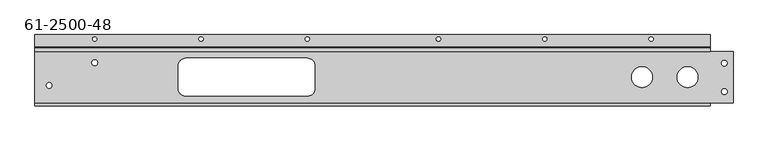
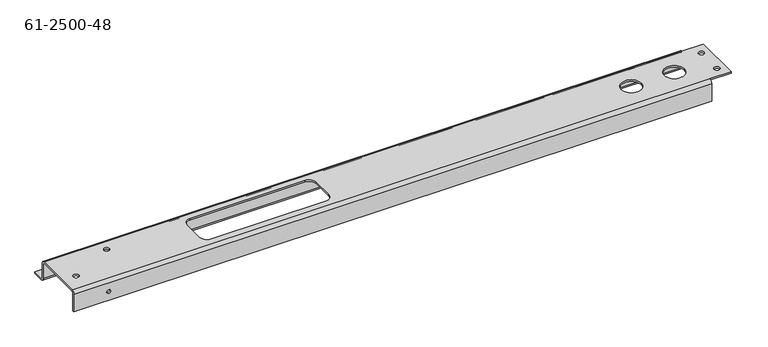
"""IFC4 building model written with IfcOpenShell, lengths in millimetres: proxy geometry, 61-2500-48."""

from ifc_helpers import new_model, si_unit, frame, origin, place, context, project, spatial, polyline, circle_curve, source, transform, mapped, element, save
from ifc_brep_helpers import plane_surface, cylinder_surface, revolved_surface, advanced_brep


def proxy_61_2500_48_f15d3c6d(model_context):
    return source(origin(), model_context, "Body", "AdvancedBrep", [
        advanced_brep(
        [(2203.44746, -48.41875, 0.0), (2203.44746, -48.41875, 2.75336), (2168.52246, -48.41875, 2.75336), (2168.52246, -48.41875, 0.0), (2279.64746, -48.41875, 0.0), (2279.64746, -48.41875, 2.75336), (2244.72246, -48.41875, 2.75336), (2244.72246, -48.41875, 0.0), (2328.46372, -72.67956, 0.0), (2328.46372, -72.67956, 2.75336), (2318.93872, -72.67956, 2.75336), (2318.93872, -72.67956, 0.0), (2328.46372, -24.9555, 0.0), (2328.46372, -24.9555, 2.75336), (2318.93872, -24.9555, 2.75336), (2318.93872, -24.9555, 0.0), (1266.02998, -24.23414, 2.75336), (1266.02998, -24.23414, 0.0), (1275.55498, -24.23414, 0.0), (1275.55498, -24.23414, 2.75336), (1189.82998, -62.33414, 2.75336), (1189.82998, -62.33414, 0.0), (1199.35498, -62.33414, 0.0), (1199.35498, -62.33414, 2.75336), (1235.86748, -96.8375, -19.05), (1235.86748, -94.08414, -19.05), (1229.51748, -94.08414, -19.05), (1229.51748, -96.8375, -19.05), (2027.09018, 15.45336, -35.34664), (2027.09018, 15.45336, -32.59328), (2019.85118, 15.45336, -32.59328), (2019.85118, 15.45336, -35.34664), (1849.29018, 15.45336, -35.34664), (1849.29018, 15.45336, -32.59328), (1842.05118, 15.45336, -32.59328), (1842.05118, 15.45336, -35.34664), (1630.01198, 15.45336, -35.34664), (1630.01198, 15.45336, -32.59328), (1622.77298, 15.45336, -32.59328), (1622.77298, 15.45336, -35.34664), (1274.41198, 15.45336, -35.34664), (1274.41198, 15.45336, -32.59328), (1267.17298, 15.45336, -32.59328), (1267.17298, 15.45336, -35.34664), (1452.21198, 15.45336, -35.34664), (1452.21198, 15.45336, -32.59328), (1444.97298, 15.45336, -32.59328), (1444.97298, 15.45336, -35.34664), (2204.89018, 15.45336, -35.34664), (2204.89018, 15.45336, -32.59328), (2197.65118, 15.45336, -32.59328), (2197.65118, 15.45336, -35.34664), (1170.77998, -96.8375, -2.75336), (1170.77998, -91.33078, 2.75336), (1170.77998, -5.50672, 2.75336), (1170.77998, 0.0, -2.75336), (1170.77998, 0.0, -29.83992), (1170.77998, 2.75336, -32.59328), (1170.77998, 22.64664, -32.59328), (1170.77998, 22.64664, -35.34664), (1170.77998, 2.75336, -35.34664), (1170.77998, -2.75336, -29.83992), (1170.77998, -2.75336, -2.75336), (1170.77998, -5.50672, 0.0), (1170.77998, -91.33078, 0.0), (1170.77998, -94.08414, -2.75336), (1170.77998, -94.08414, -35.34664), (1170.77998, -96.8375, -35.34664), (2300.28496, -2.75336, -29.83992), (2300.28496, -2.75336, -2.75336), (2300.28496, 2.75336, -35.34664), (2300.28496, 22.64664, -35.34664), (2300.28496, 22.64664, -32.59328), (2300.28496, 2.75336, -32.59328), (2300.28496, 0.0, -29.83992), (2300.28496, 0.0, -2.75336), (2300.28496, -5.50672, 2.75336), (2300.28496, -91.33078, 2.75336), (2338.38496, -91.33078, 2.75336), (2338.38496, -5.50672, 2.75336), (1423.19248, -16.68018, 2.75336), (1626.39248, -16.68018, 2.75336), (1639.09248, -29.38018, 2.75336), (1639.09248, -67.48018, 2.75336), (1626.39248, -80.18018, 2.75336), (1423.19248, -80.18018, 2.75336), (1410.49248, -67.48018, 2.75336), (1410.49248, -29.38018, 2.75336), (2300.28496, -96.8375, -2.75336), (2300.28496, -96.8375, -35.34664), (2300.28496, -94.08414, -35.34664), (2300.28496, -94.08414, -2.75336), (1423.19248, -16.68018, 0.0), (1626.39248, -16.68018, 0.0), (1410.49248, -29.38018, 0.0), (1410.49248, -67.48018, 0.0), (1423.19248, -80.18018, 0.0), (1626.39248, -80.18018, 0.0), (1639.09248, -67.48018, 0.0), (1639.09248, -29.38018, 0.0), (2300.28496, -91.33078, 0.0), (2338.38496, -91.33078, 0.0), (2300.28496, -5.50672, 0.0), (2338.38496, -5.50672, 0.0)],
        [
            (0, 1),
            (1, 2, circle_curve(frame((2185.98496, -48.41875, 2.75336), z_axis=(0.0, 0.0, 1.0), x_axis=(1.0, 0.0, 0.0)), 17.4625)),
            (2, 3),
            (3, 0, circle_curve(frame((2185.98496, -48.41875, 0.0), z_axis=(0.0, 0.0, -1.0), x_axis=(1.0, 0.0, 0.0)), 17.4625)),
            (4, 5),
            (5, 6, circle_curve(frame((2262.18496, -48.41875, 2.75336), z_axis=(0.0, 0.0, 1.0), x_axis=(1.0, 0.0, 0.0)), 17.4625)),
            (6, 7),
            (7, 4, circle_curve(frame((2262.18496, -48.41875, 0.0), z_axis=(0.0, 0.0, -1.0), x_axis=(1.0, 0.0, 0.0)), 17.4625)),
            (8, 9),
            (9, 10, circle_curve(frame((2323.70122, -72.67956, 2.75336), z_axis=(0.0, 0.0, 1.0), x_axis=(1.0, 0.0, 0.0)), 4.7625)),
            (10, 11),
            (11, 8, circle_curve(frame((2323.70122, -72.67956, 0.0), z_axis=(0.0, 0.0, -1.0), x_axis=(1.0, 0.0, 0.0)), 4.7625)),
            (12, 13),
            (13, 14, circle_curve(frame((2323.70122, -24.9555, 2.75336), z_axis=(0.0, 0.0, 1.0), x_axis=(1.0, 0.0, 0.0)), 4.7625)),
            (14, 15),
            (15, 12, circle_curve(frame((2323.70122, -24.9555, 0.0), z_axis=(0.0, 0.0, -1.0), x_axis=(1.0, 0.0, 0.0)), 4.7625)),
            (16, 17),
            (17, 18, circle_curve(frame((1270.79248, -24.23414, 0.0), z_axis=(0.0, 0.0, -1.0), x_axis=(-1.0, 0.0, 0.0)), 4.7625)),
            (18, 19),
            (19, 16, circle_curve(frame((1270.79248, -24.23414, 2.75336), z_axis=(0.0, 0.0, 1.0), x_axis=(-1.0, 0.0, 0.0)), 4.7625)),
            (20, 21),
            (21, 22, circle_curve(frame((1194.59248, -62.33414, 0.0), z_axis=(0.0, 0.0, -1.0), x_axis=(-1.0, 0.0, 0.0)), 4.7625)),
            (22, 23),
            (23, 20, circle_curve(frame((1194.59248, -62.33414, 2.75336), z_axis=(0.0, 0.0, 1.0), x_axis=(-1.0, 0.0, 0.0)), 4.7625)),
            (24, 25),
            (25, 26, circle_curve(frame((1232.69248, -94.08414, -19.05), z_axis=(0.0, 1.0, 0.0), x_axis=(1.0, 0.0, 0.0)), 3.175)),
            (26, 27),
            (27, 24, circle_curve(frame((1232.69248, -96.8375, -19.05), z_axis=(0.0, -1.0, 0.0), x_axis=(1.0, 0.0, 0.0)), 3.175)),
            (28, 29),
            (29, 30, circle_curve(frame((2023.47068, 15.45336, -32.59328), z_axis=(0.0, 0.0, 1.0), x_axis=(1.0, 0.0, 0.0)), 3.6195)),
            (30, 31),
            (31, 28, circle_curve(frame((2023.47068, 15.45336, -35.34664), z_axis=(0.0, 0.0, -1.0), x_axis=(1.0, 0.0, 0.0)), 3.6195)),
            (32, 33),
            (33, 34, circle_curve(frame((1845.67068, 15.45336, -32.59328), z_axis=(0.0, 0.0, 1.0), x_axis=(1.0, 0.0, 0.0)), 3.6195)),
            (34, 35),
            (35, 32, circle_curve(frame((1845.67068, 15.45336, -35.34664), z_axis=(0.0, 0.0, -1.0), x_axis=(1.0, 0.0, 0.0)), 3.6195)),
            (36, 37),
            (37, 38, circle_curve(frame((1626.39248, 15.45336, -32.59328), z_axis=(0.0, 0.0, 1.0), x_axis=(1.0, 0.0, 0.0)), 3.6195)),
            (38, 39),
            (39, 36, circle_curve(frame((1626.39248, 15.45336, -35.34664), z_axis=(0.0, 0.0, -1.0), x_axis=(1.0, 0.0, 0.0)), 3.6195)),
            (40, 41),
            (41, 42, circle_curve(frame((1270.79248, 15.45336, -32.59328), z_axis=(0.0, 0.0, 1.0), x_axis=(1.0, 0.0, 0.0)), 3.6195)),
            (42, 43),
            (43, 40, circle_curve(frame((1270.79248, 15.45336, -35.34664), z_axis=(0.0, 0.0, -1.0), x_axis=(1.0, 0.0, 0.0)), 3.6195)),
            (44, 45),
            (45, 46, circle_curve(frame((1448.59248, 15.45336, -32.59328), z_axis=(0.0, 0.0, 1.0), x_axis=(1.0, 0.0, 0.0)), 3.6195)),
            (46, 47),
            (47, 44, circle_curve(frame((1448.59248, 15.45336, -35.34664), z_axis=(0.0, 0.0, -1.0), x_axis=(1.0, 0.0, 0.0)), 3.6195)),
            (48, 49),
            (49, 50, circle_curve(frame((2201.27068, 15.45336, -32.59328), z_axis=(0.0, 0.0, 1.0), x_axis=(1.0, 0.0, 0.0)), 3.6195)),
            (50, 51),
            (51, 48, circle_curve(frame((2201.27068, 15.45336, -35.34664), z_axis=(0.0, 0.0, -1.0), x_axis=(1.0, 0.0, 0.0)), 3.6195)),
            (48, 51, circle_curve(frame((2201.27068, 15.45336, -35.34664), z_axis=(0.0, 0.0, -1.0), x_axis=(1.0, 0.0, 0.0)), 3.6195)),
            (50, 49, circle_curve(frame((2201.27068, 15.45336, -32.59328), z_axis=(0.0, 0.0, 1.0), x_axis=(1.0, 0.0, 0.0)), 3.6195)),
            (44, 47, circle_curve(frame((1448.59248, 15.45336, -35.34664), z_axis=(0.0, 0.0, -1.0), x_axis=(1.0, 0.0, 0.0)), 3.6195)),
            (46, 45, circle_curve(frame((1448.59248, 15.45336, -32.59328), z_axis=(0.0, 0.0, 1.0), x_axis=(1.0, 0.0, 0.0)), 3.6195)),
            (40, 43, circle_curve(frame((1270.79248, 15.45336, -35.34664), z_axis=(0.0, 0.0, -1.0), x_axis=(1.0, 0.0, 0.0)), 3.6195)),
            (42, 41, circle_curve(frame((1270.79248, 15.45336, -32.59328), z_axis=(0.0, 0.0, 1.0), x_axis=(1.0, 0.0, 0.0)), 3.6195)),
            (36, 39, circle_curve(frame((1626.39248, 15.45336, -35.34664), z_axis=(0.0, 0.0, -1.0), x_axis=(1.0, 0.0, 0.0)), 3.6195)),
            (38, 37, circle_curve(frame((1626.39248, 15.45336, -32.59328), z_axis=(0.0, 0.0, 1.0), x_axis=(1.0, 0.0, 0.0)), 3.6195)),
            (32, 35, circle_curve(frame((1845.67068, 15.45336, -35.34664), z_axis=(0.0, 0.0, -1.0), x_axis=(1.0, 0.0, 0.0)), 3.6195)),
            (34, 33, circle_curve(frame((1845.67068, 15.45336, -32.59328), z_axis=(0.0, 0.0, 1.0), x_axis=(1.0, 0.0, 0.0)), 3.6195)),
            (28, 31, circle_curve(frame((2023.47068, 15.45336, -35.34664), z_axis=(0.0, 0.0, -1.0), x_axis=(1.0, 0.0, 0.0)), 3.6195)),
            (30, 29, circle_curve(frame((2023.47068, 15.45336, -32.59328), z_axis=(0.0, 0.0, 1.0), x_axis=(1.0, 0.0, 0.0)), 3.6195)),
            (24, 27, circle_curve(frame((1232.69248, -96.8375, -19.05), z_axis=(0.0, -1.0, 0.0), x_axis=(1.0, 0.0, 0.0)), 3.175)),
            (26, 25, circle_curve(frame((1232.69248, -94.08414, -19.05), z_axis=(0.0, 1.0, 0.0), x_axis=(1.0, 0.0, 0.0)), 3.175)),
            (20, 23, circle_curve(frame((1194.59248, -62.33414, 2.75336), z_axis=(0.0, 0.0, 1.0), x_axis=(-1.0, 0.0, 0.0)), 4.7625)),
            (22, 21, circle_curve(frame((1194.59248, -62.33414, 0.0), z_axis=(0.0, 0.0, -1.0), x_axis=(-1.0, 0.0, 0.0)), 4.7625)),
            (16, 19, circle_curve(frame((1270.79248, -24.23414, 2.75336), z_axis=(0.0, 0.0, 1.0), x_axis=(-1.0, 0.0, 0.0)), 4.7625)),
            (18, 17, circle_curve(frame((1270.79248, -24.23414, 0.0), z_axis=(0.0, 0.0, -1.0), x_axis=(-1.0, 0.0, 0.0)), 4.7625)),
            (52, 53, circle_curve(frame((1170.77998, -91.33078, -2.75336), z_axis=(-1.0, 0.0, 0.0), x_axis=(0.0, 0.0, 1.0)), 5.50672)),
            (53, 54),
            (54, 55, circle_curve(frame((1170.77998, -5.50672, -2.75336), z_axis=(-1.0, 0.0, 0.0), x_axis=(0.0, 0.0, 1.0)), 5.50672)),
            (55, 56),
            (56, 57, circle_curve(frame((1170.77998, 2.75336, -29.83992), z_axis=(1.0, 0.0, 0.0), x_axis=(0.0, -1.0, 0.0)), 2.75336)),
            (57, 58),
            (58, 59),
            (59, 60),
            (60, 61, circle_curve(frame((1170.77998, 2.75336, -29.83992), z_axis=(-1.0, 0.0, 0.0), x_axis=(0.0, -1.0, 0.0)), 5.50672)),
            (61, 62),
            (62, 63, circle_curve(frame((1170.77998, -5.50672, -2.75336), z_axis=(1.0, 0.0, 0.0), x_axis=(0.0, 0.0, 1.0)), 2.75336)),
            (63, 64),
            (64, 65, circle_curve(frame((1170.77998, -91.33078, -2.75336), z_axis=(1.0, 0.0, 0.0), x_axis=(0.0, 0.0, 1.0)), 2.75336)),
            (65, 66),
            (66, 67),
            (67, 52),
            (61, 68),
            (68, 69),
            (69, 62),
            (60, 70),
            (70, 68, circle_curve(frame((2300.28496, 2.75336, -29.83992), z_axis=(-1.0, 0.0, 0.0), x_axis=(0.0, -1.0, 0.0)), 5.50672)),
            (59, 71),
            (71, 70),
            (58, 72),
            (72, 71),
            (57, 73),
            (73, 72),
            (56, 74),
            (74, 73, circle_curve(frame((2300.28496, 2.75336, -29.83992), z_axis=(1.0, 0.0, 0.0), x_axis=(0.0, -1.0, 0.0)), 2.75336)),
            (55, 75),
            (75, 74),
            (54, 76),
            (76, 75, circle_curve(frame((2300.28496, -5.50672, -2.75336), z_axis=(-1.0, 0.0, 0.0), x_axis=(0.0, 0.0, 1.0)), 5.50672)),
            (53, 77),
            (77, 78),
            (78, 79),
            (79, 76),
            (1, 2, circle_curve(frame((2185.98496, -48.41875, 2.75336), z_axis=(0.0, 0.0, -1.0), x_axis=(1.0, 0.0, 0.0)), 17.4625)),
            (5, 6, circle_curve(frame((2262.18496, -48.41875, 2.75336), z_axis=(0.0, 0.0, -1.0), x_axis=(1.0, 0.0, 0.0)), 17.4625)),
            (80, 81),
            (81, 82, circle_curve(frame((1626.39248, -29.38018, 2.75336), z_axis=(0.0, 0.0, -1.0), x_axis=(-1.0, 0.0, 0.0)), 12.7)),
            (82, 83),
            (83, 84, circle_curve(frame((1626.39248, -67.48018, 2.75336), z_axis=(0.0, 0.0, -1.0), x_axis=(0.0, 1.0, 0.0)), 12.7)),
            (84, 85),
            (85, 86, circle_curve(frame((1423.19248, -67.48018, 2.75336), z_axis=(0.0, 0.0, -1.0), x_axis=(1.0, 0.0, 0.0)), 12.7)),
            (86, 87),
            (87, 80, circle_curve(frame((1423.19248, -29.38018, 2.75336), z_axis=(0.0, 0.0, -1.0), x_axis=(0.0, -1.0, 0.0)), 12.7)),
            (9, 10, circle_curve(frame((2323.70122, -72.67956, 2.75336), z_axis=(0.0, 0.0, -1.0), x_axis=(1.0, 0.0, 0.0)), 4.7625)),
            (13, 14, circle_curve(frame((2323.70122, -24.9555, 2.75336), z_axis=(0.0, 0.0, -1.0), x_axis=(1.0, 0.0, 0.0)), 4.7625)),
            (52, 88),
            (88, 77, circle_curve(frame((2300.28496, -91.33078, -2.75336), z_axis=(-1.0, 0.0, 0.0), x_axis=(0.0, 0.0, 1.0)), 5.50672)),
            (67, 89),
            (89, 88),
            (66, 90),
            (90, 89),
            (65, 91),
            (91, 90),
            (12, 15, circle_curve(frame((2323.70122, -24.9555, 0.0), z_axis=(0.0, 0.0, -1.0), x_axis=(1.0, 0.0, 0.0)), 4.7625)),
            (8, 11, circle_curve(frame((2323.70122, -72.67956, 0.0), z_axis=(0.0, 0.0, -1.0), x_axis=(1.0, 0.0, 0.0)), 4.7625)),
            (92, 93),
            (93, 81),
            (80, 92),
            (94, 92, circle_curve(frame((1423.19248, -29.38018, 0.0), z_axis=(0.0, 0.0, -1.0), x_axis=(0.0, -1.0, 0.0)), 12.7)),
            (87, 94),
            (95, 94),
            (86, 95),
            (96, 95, circle_curve(frame((1423.19248, -67.48018, 0.0), z_axis=(0.0, 0.0, -1.0), x_axis=(1.0, 0.0, 0.0)), 12.7)),
            (85, 96),
            (97, 96),
            (84, 97),
            (98, 97, circle_curve(frame((1626.39248, -67.48018, 0.0), z_axis=(0.0, 0.0, -1.0), x_axis=(0.0, 1.0, 0.0)), 12.7)),
            (83, 98),
            (99, 98),
            (82, 99),
            (93, 99, circle_curve(frame((1626.39248, -29.38018, 0.0), z_axis=(0.0, 0.0, -1.0), x_axis=(-1.0, 0.0, 0.0)), 12.7)),
            (4, 7, circle_curve(frame((2262.18496, -48.41875, 0.0), z_axis=(0.0, 0.0, -1.0), x_axis=(1.0, 0.0, 0.0)), 17.4625)),
            (0, 3, circle_curve(frame((2185.98496, -48.41875, 0.0), z_axis=(0.0, 0.0, -1.0), x_axis=(1.0, 0.0, 0.0)), 17.4625)),
            (64, 100),
            (100, 91, circle_curve(frame((2300.28496, -91.33078, -2.75336), z_axis=(1.0, 0.0, 0.0), x_axis=(0.0, 0.0, 1.0)), 2.75336)),
            (77, 100),
            (100, 101),
            (101, 78),
            (63, 102),
            (102, 103),
            (103, 101),
            (69, 102, circle_curve(frame((2300.28496, -5.50672, -2.75336), z_axis=(1.0, 0.0, 0.0), x_axis=(0.0, 0.0, 1.0)), 2.75336)),
            (102, 76),
            (79, 103),
        ],
        [
            revolved_surface(polyline([(2203.44746, -48.41875, 2.753359999999999), (2203.44746, -48.41875, 0.0)]), (2185.98496, -48.41875, -6.77164), (0.0, 0.0, 1.0)),
            revolved_surface(polyline([(2279.64746, -48.41875, 2.753359999999999), (2279.64746, -48.41875, 0.0)]), (2262.18496, -48.41875, -6.77164), (0.0, 0.0, 1.0)),
            revolved_surface(polyline([(2328.4637199999997, -72.67956, 2.75336), (2328.4637199999997, -72.67956, 0.0)]), (2323.70122, -72.67956, 1.37668), (0.0, 0.0, 1.0)),
            revolved_surface(polyline([(2328.4637199999997, -24.9555, 2.75336), (2328.4637199999997, -24.9555, 0.0)]), (2323.70122, -24.9555, 1.37668), (0.0, 0.0, 1.0)),
            revolved_surface(polyline([(1266.02998, -24.23414, 0.0), (1266.02998, -24.23414, 2.75336)]), (1270.79248, -24.23414, 1.37668), (0.0, 0.0, -1.0)),
            revolved_surface(polyline([(1189.82998, -62.33414, 0.0), (1189.82998, -62.33414, 2.75336)]), (1194.59248, -62.33414, 1.37668), (0.0, 0.0, -1.0)),
            revolved_surface(polyline([(1235.86748, -94.08414, -19.05), (1235.86748, -96.8375, -19.05)]), (1232.69248, -95.46082, -19.05), (0.0, 1.0, 0.0)),
            revolved_surface(polyline([(2027.09018, 15.45336, -32.59328), (2027.09018, 15.45336, -35.34664)]), (2023.47068, 15.45336, -33.96996), (0.0, 0.0, 1.0)),
            revolved_surface(polyline([(1849.29018, 15.45336, -32.59328), (1849.29018, 15.45336, -35.34664)]), (1845.67068, 15.45336, -33.96996), (0.0, 0.0, 1.0)),
            revolved_surface(polyline([(1630.01198, 15.45336, -32.59328), (1630.01198, 15.45336, -35.34664)]), (1626.39248, 15.45336, -33.96996), (0.0, 0.0, 1.0)),
            revolved_surface(polyline([(1274.41198, 15.45336, -32.59328), (1274.41198, 15.45336, -35.34664)]), (1270.79248, 15.45336, -33.96996), (0.0, 0.0, 1.0)),
            revolved_surface(polyline([(1452.21198, 15.45336, -32.59328), (1452.21198, 15.45336, -35.34664)]), (1448.59248, 15.45336, -33.96996), (0.0, 0.0, 1.0)),
            revolved_surface(polyline([(2204.89018, 15.45336, -32.59328), (2204.89018, 15.45336, -35.34664)]), (2201.27068, 15.45336, -33.96996), (0.0, 0.0, 1.0)),
            plane_surface(frame((1170.77998, -177.821691, 2.75336), z_axis=(-1.0, 0.0, 0.0), x_axis=(0.0, 0.0, -1.0))),
            plane_surface(frame((1169.19248, -2.75336, -16.29664), z_axis=(0.0, -1.0, 0.0), x_axis=(0.0, 0.0, 1.0))),
            cylinder_surface(frame((1169.19248, 2.75336, -29.83992), z_axis=(1.0, 0.0, 0.0), x_axis=(0.0, -1.0, 0.0)), 5.50672),
            plane_surface(frame((1169.19248, 9.94664, -35.34664), z_axis=(0.0, 0.0, -1.0), x_axis=(1.0, 0.0, 0.0))),
            plane_surface(frame((38.1, 22.64664, -35.34664), z_axis=(0.0, 1.0, 0.0), x_axis=(0.0, 0.0, 1.0))),
            plane_surface(frame((1169.19248, 9.94664, -32.59328), z_axis=(0.0, 0.0, 1.0), x_axis=(1.0, 0.0, 0.0))),
            revolved_surface(polyline([(2300.28496, 0.0, -29.83992), (1170.77998, 0.0, -29.83992)]), (1169.19248, 2.75336, -29.83992), (1.0, 0.0, 0.0)),
            plane_surface(frame((1169.19248, 0.0, -16.29664), z_axis=(0.0, 1.0, 0.0), x_axis=(0.0, 0.0, 1.0))),
            cylinder_surface(frame((1169.19248, -5.50672, -2.75336), z_axis=(-1.0, 0.0, 0.0), x_axis=(0.0, 0.0, 1.0)), 5.50672),
            plane_surface(frame((1169.19248, -48.41875, 2.75336), z_axis=(0.0, 0.0, 1.0), x_axis=(1.0, 0.0, 0.0))),
            cylinder_surface(frame((1169.19248, -91.33078, -2.75336), z_axis=(1.0, 0.0, 0.0), x_axis=(0.0, 0.0, 1.0)), 5.50672),
            plane_surface(frame((1169.19248, -96.8375, -16.29664), z_axis=(0.0, -1.0, 0.0), x_axis=(0.0, 0.0, 1.0))),
            plane_surface(frame((38.1, -96.8375, -35.34664), z_axis=(0.0, 0.0, -1.0), x_axis=(-1.0, 0.0, 0.0))),
            plane_surface(frame((1169.19248, -94.08414, -16.29664), z_axis=(0.0, 1.0, 0.0), x_axis=(0.0, 0.0, 1.0))),
            plane_surface(frame((1524.79248, -16.68018, 2.75336), z_axis=(0.0, -1.0, 0.0), x_axis=(0.0, 0.0, 1.0))),
            revolved_surface(polyline([(1423.19248, -42.08018, 0.0), (1423.19248, -42.08018, 2.75336)]), (1423.19248, -29.38018, 2.75336), (0.0, 0.0, -1.0)),
            plane_surface(frame((1410.49248, -29.38018, 2.75336), z_axis=(1.0, 0.0, 0.0), x_axis=(0.0, 0.0, 1.0))),
            revolved_surface(polyline([(1435.89248, -67.48018, 0.0), (1435.89248, -67.48018, 2.75336)]), (1423.19248, -67.48018, 2.75336), (0.0, 0.0, -1.0)),
            plane_surface(frame((1423.19248, -80.18018, 2.75336), z_axis=(0.0, 1.0, 0.0), x_axis=(0.0, 0.0, -1.0))),
            revolved_surface(polyline([(1626.39248, -54.78018, 0.0), (1626.39248, -54.78018, 2.75336)]), (1626.39248, -67.48018, 2.75336), (0.0, 0.0, -1.0)),
            plane_surface(frame((1639.09248, -67.48018, 2.75336), z_axis=(-1.0, 0.0, 0.0), x_axis=(0.0, 0.0, -1.0))),
            revolved_surface(polyline([(1613.69248, -29.38018, 0.0), (1613.69248, -29.38018, 2.75336)]), (1626.39248, -29.38018, 2.75336), (0.0, 0.0, -1.0)),
            revolved_surface(polyline([(2300.28496, -91.33078, 0.0), (1170.77998, -91.33078, 0.0)]), (1169.19248, -91.33078, -2.75336), (1.0, 0.0, 0.0)),
            plane_surface(frame((2300.28496, -91.33078, 2.75336), z_axis=(0.0, -1.0, 0.0), x_axis=(0.0, 0.0, 1.0))),
            plane_surface(frame((1169.19248, -48.41875, 0.0), z_axis=(0.0, 0.0, -1.0), x_axis=(1.0, 0.0, 0.0))),
            revolved_surface(polyline([(1170.77998, -5.50672, 0.0), (2300.28496, -5.50672, 0.0)]), (1169.19248, -5.50672, -2.75336), (-1.0, 0.0, 0.0)),
            plane_surface(frame((38.1, -5.50672, 2.75336), z_axis=(0.0, 1.0, 0.0), x_axis=(0.0, 0.0, -1.0))),
            plane_surface(frame((2338.38496, 0.0, 0.0), z_axis=(1.0, 0.0, 0.0), x_axis=(0.0, 0.0, -1.0))),
            plane_surface(frame((2300.28496, -96.8375, -35.34664), z_axis=(1.0, 0.0, 0.0), x_axis=(0.0, 0.0, -1.0))),
            plane_surface(frame((2300.28496, 22.64664, -35.34664), z_axis=(1.0, 0.0, 0.0), x_axis=(0.0, 0.0, -1.0))),
        ],
        [
            (0, [[1, 2, 3, 4]]),
            (1, [[5, 6, 7, 8]]),
            (2, [[9, 10, 11, 12]]),
            (3, [[13, 14, 15, 16]]),
            (4, [[17, 18, 19, 20]]),
            (5, [[21, 22, 23, 24]]),
            (6, [[25, 26, 27, 28]]),
            (7, [[29, 30, 31, 32]]),
            (8, [[33, 34, 35, 36]]),
            (9, [[37, 38, 39, 40]]),
            (10, [[41, 42, 43, 44]]),
            (11, [[45, 46, 47, 48]]),
            (12, [[49, 50, 51, 52]]),
            (12, [[-49, 53, -51, 54]]),
            (11, [[-45, 55, -47, 56]]),
            (10, [[-41, 57, -43, 58]]),
            (9, [[-37, 59, -39, 60]]),
            (8, [[-33, 61, -35, 62]]),
            (7, [[-29, 63, -31, 64]]),
            (6, [[-25, 65, -27, 66]]),
            (5, [[-21, 67, -23, 68]]),
            (4, [[-17, 69, -19, 70]]),
            (13, [[71, 72, 73, 74, 75, 76, 77, 78, 79, 80, 81, 82, 83, 84, 85, 86]]),
            (14, [[-80, 87, 88, 89]]),
            (15, [[-79, 90, 91, -87]]),
            (16, [[-78, 92, 93, -90], [-32, -63], [-36, -61], [-40, -59], [-44, -57], [-48, -55], [-52, -53]]),
            (17, [[-77, 94, 95, -92]]),
            (18, [[-76, 96, 97, -94], [-54, -50], [-56, -46], [-58, -42], [-60, -38], [-62, -34], [-64, -30]]),
            (19, [[-75, 98, 99, -96]]),
            (20, [[-74, 100, 101, -98]]),
            (21, [[-73, 102, 103, -100]]),
            (22, [[-72, 104, 105, 106, 107, -102], [-20, -69], [-24, -67], [108, -2], [109, -6], [110, 111, 112, 113, 114, 115, 116, 117], [118, -10], [119, -14]]),
            (23, [[-71, 120, 121, -104]]),
            (24, [[-86, 122, 123, -120], [-28, -65]]),
            (25, [[-85, 124, 125, -122]]),
            (26, [[-84, 126, 127, -124], [-66, -26]]),
            (3, [[-13, 128, -15, -119]]),
            (2, [[-9, 129, -11, -118]]),
            (27, [[130, 131, -110, 132]]),
            (28, [[133, -132, -117, 134]]),
            (29, [[135, -134, -116, 136]]),
            (30, [[137, -136, -115, 138]]),
            (31, [[139, -138, -114, 140]]),
            (32, [[141, -140, -113, 142]]),
            (33, [[143, -142, -112, 144]]),
            (34, [[145, -144, -111, -131]]),
            (1, [[-5, 146, -7, -109]]),
            (0, [[-1, 147, -3, -108]]),
            (35, [[-83, 148, 149, -126]]),
            (36, [[150, 151, 152, -105]]),
            (37, [[-82, 153, 154, 155, -151, -148], [-12, -129], [-16, -128], [-68, -22], [-70, -18], [-130, -133, -135, -137, -139, -141, -143, -145], [-146, -8], [-147, -4]]),
            (38, [[-81, -89, 156, -153]]),
            (39, [[157, -107, 158, -154]]),
            (40, [[-152, -155, -158, -106]]),
            (41, [[-123, -125, -127, -149, -150, -121]]),
            (42, [[-93, -95, -97, -99, -101, -103, -157, -156, -88, -91]]),
        ],
    ),
    ])


if __name__ == "__main__":
    model = new_model("IFC4")
    model_context = context("Model", 3, world=origin())
    ifc_project = project(units=[si_unit("LENGTHUNIT", "METRE", prefix="MILLI")], contexts=[model_context])
    site = spatial("IfcSite", under=ifc_project)
    building = spatial("IfcBuilding", under=site)
    placement = place(None, origin())
    proxy_61_2500_48_shape = proxy_61_2500_48_f15d3c6d(model_context)
    element("IfcBuildingElementProxy", 1, Name="61-2500-48", ObjectType="61-2500-48", at=placement, inside=building, context=model_context, shape_type="MappedRepresentation", body=[
        mapped(proxy_61_2500_48_shape, transform((0.0, 0.0, 0.0), x_axis=(1.0, 0.0, 0.0), y_axis=(0.0, 1.0, 0.0), z_axis=(0.0, 0.0, 1.0))),
    ])
    save(model, "model.ifc")
